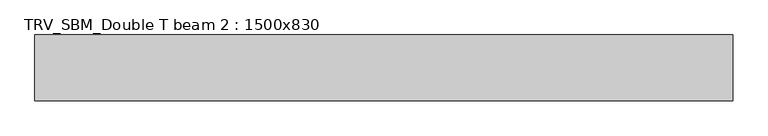
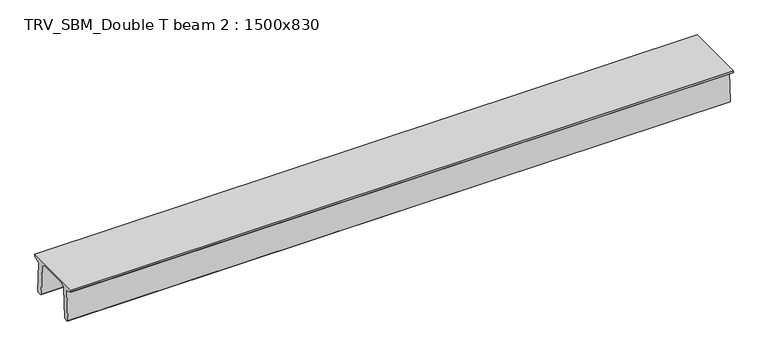
"""IFC4 building model written with IfcOpenShell, lengths in millimetres: beam geometry, TRV_SBM_Double T beam 2 : 1500x830."""

from ifc_helpers import new_model, si_unit, frame, origin, place, context, project, spatial, polyline, outline, extrude, source, transform, mapped, element, save


def trv_sbm_double_t_beam_2_1500x830_b64593f1(model_context):
    return source(origin(), model_context, "Body", "SweptSolid", [
        extrude(outline(polyline([(337.4555014, 470.0), (-343.4555014, 470.0), (-456.5828437, 409.8491251), (-494.786332, -340.5206011), (-514.2657308, -360.0), (-604.2657308, -360.0), (-624.8277662, -339.4379646), (-586.9373878, 401.9654693), (-752.8511046, 468.9989621), (-753.0, 475.0), (-753.0, 520.0), (747.0, 520.0), (747.0, 475.0), (746.8511046, 468.9989621), (580.9373878, 401.9654693), (618.8277662, -339.4379646), (598.2657308, -360.0), (508.2657308, -360.0), (488.786332, -340.5206011), (450.5828437, 409.8491251), (337.4555014, 470.0)])), frame((-7911.0, 0.0, 0.0), z_axis=(1.0, 0.0, 0.0), x_axis=(0.0, 1.0, 0.0)), (0.0, 0.0, 1.0), 15899.0),
    ])


if __name__ == "__main__":
    model = new_model("IFC4")
    model_context = context("Model", 3, world=origin())
    ifc_project = project(units=[si_unit("LENGTHUNIT", "METRE", prefix="MILLI")], contexts=[model_context])
    site = spatial("IfcSite", under=ifc_project)
    building = spatial("IfcBuilding", under=site)
    placement = place(None, origin())
    trv_sbm_double_t_beam_2_1500x830_shape = trv_sbm_double_t_beam_2_1500x830_b64593f1(model_context)
    element("IfcBeam", 1, ObjectType="TRV_SBM_Double T beam 2 : 1500x830", at=placement, inside=building, context=model_context, shape_type="MappedRepresentation", body=[
        mapped(trv_sbm_double_t_beam_2_1500x830_shape, transform((0.0, 0.0, 0.0), x_axis=(1.0, 0.0, 0.0), y_axis=(0.0, 1.0, 0.0), z_axis=(0.0, 0.0, 1.0))),
    ])
    save(model, "model.ifc")
